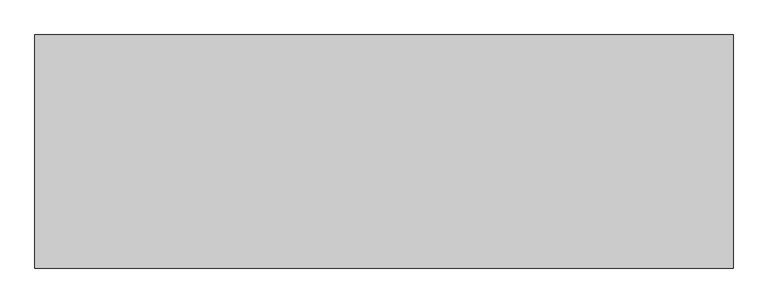
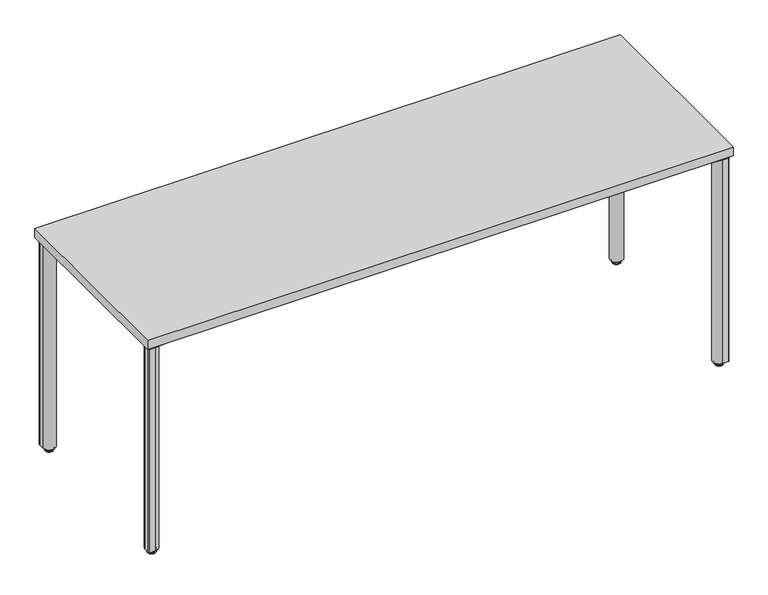
"""IFC4 building model written with IfcOpenShell, lengths in millimetres: furniture geometry."""

import ifcopenshell
import ifcopenshell.guid

model = None  # the IFC model being written
_history = None  # IfcOwnerHistory: only IFC2X3 demands one
_inside = {}  # id of a spatial element -> (the spatial element, [elements in it])
_under = {}  # id of a project, library or spatial element -> (it, [spatial elements below it])
_declared = {}  # id of a project -> (the project, [libraries it declares])
_typed = {}  # id of a type object -> (the type object, [elements of that type])
_made_of = {}  # id of a material, layer set ... -> (it, [elements and type objects made of it])


def new_model(schema):
    """Start an empty IFC model of exactly this schema.

    Asked for "IFC4X3", IfcOpenShell would pick the latest addendum, in which some entities
    have other attributes; the version numbers below select the first issue.
    IFC2X3 requires an IfcOwnerHistory on every rooted entity: one is made here for all.
    """
    global model, _history
    if schema == "IFC4X3":
        model = ifcopenshell.file(schema_version=(4, 3, 0, 0))
    else:
        model = ifcopenshell.file(schema=schema)
    _inside.clear()
    _under.clear()
    _declared.clear()
    _typed.clear()
    _made_of.clear()
    _history = None
    if model.schema == "IFC2X3":
        org = make("IfcOrganization", Name="unknown")
        user = make(
            "IfcPersonAndOrganization",
            ThePerson=make("IfcPerson", FamilyName="unknown"),
            TheOrganization=org,
        )
        app = make(
            "IfcApplication",
            ApplicationDeveloper=org,
            Version="unknown",
            ApplicationFullName="unknown",
            ApplicationIdentifier="unknown",
        )
        _history = make(
            "IfcOwnerHistory",
            OwningUser=user,
            OwningApplication=app,
            ChangeAction="ADDED",
            CreationDate=0,
        )
    return model


def make(cls, **values):
    """One entity of the class cls with the attributes given. An attribute that is None is left unset."""
    return model.create_entity(
        cls, **{name: value for name, value in values.items() if value is not None}
    )


def rooted(cls, **values):
    """An entity with a GlobalId (a new one), such as an element, a storey or a relation."""
    return make(cls, GlobalId=ifcopenshell.guid.new(), OwnerHistory=_history, **values)


def si_unit(unit_type, name, prefix=None):
    """IfcSIUnit, for example si_unit("LENGTHUNIT", "METRE", prefix="MILLI")."""
    return make("IfcSIUnit", UnitType=unit_type, Prefix=prefix, Name=name)


def assignment(units):
    """IfcUnitAssignment: the units of a project."""
    return None if units is None else make("IfcUnitAssignment", Units=units)


def point(xyz):
    """IfcCartesianPoint."""
    return None if xyz is None else make("IfcCartesianPoint", Coordinates=xyz)


def direction(xyz):
    """IfcDirection."""
    return None if xyz is None else make("IfcDirection", DirectionRatios=xyz)


def frame(location, z_axis=None, x_axis=None):
    """IfcAxis2Placement3D, a coordinate frame: its origin and axes. An axis left out is left unset."""
    return make(
        "IfcAxis2Placement3D",
        Location=point(location),
        Axis=direction(z_axis),
        RefDirection=direction(x_axis),
    )


def frame_2d(location, x_axis=None):
    """IfcAxis2Placement2D, a coordinate frame in the plane: its origin and x axis."""
    return make(
        "IfcAxis2Placement2D", Location=point(location), RefDirection=direction(x_axis)
    )


def origin():
    """The frame at (0, 0, 0) with its axes left unset."""
    return frame((0.0, 0.0, 0.0))


def place(relative_to, where):
    """IfcLocalPlacement: puts the frame where relative to a parent placement (None: the world)."""
    return make(
        "IfcLocalPlacement", PlacementRelTo=relative_to, RelativePlacement=where
    )


def context(
    kind, dimensions, precision=None, world=None, true_north=None, identifier=None
):
    """IfcGeometricRepresentationContext, for example the 3D "Model" context."""
    return make(
        "IfcGeometricRepresentationContext",
        ContextIdentifier=identifier,
        ContextType=kind,
        CoordinateSpaceDimension=dimensions,
        Precision=precision,
        WorldCoordinateSystem=world,
        TrueNorth=true_north,
    )


def project(units=None, contexts=None):
    """IfcProject with its units and contexts."""
    return rooted(
        "IfcProject",
        Name="project",
        RepresentationContexts=contexts,
        UnitsInContext=assignment(units),
    )


def spatial(cls, under=None, at=None, **own):
    """A site, building, storey or space (cls), placed at a placement, below another one or the project."""
    s = rooted(cls, ObjectPlacement=at, **own)
    if under is not None:
        _under.setdefault(under.id(), (under, []))[1].append(s)
    return s


def polyline(points):
    """IfcPolyline through the points."""
    return make("IfcPolyline", Points=[point(p) for p in points])


def circle_curve(where, radius):
    """IfcCircle in the frame where."""
    return make("IfcCircle", Position=where, Radius=radius)


def ellipse_curve(where, semi_axis1, semi_axis2):
    """IfcEllipse in the frame where."""
    return make(
        "IfcEllipse", Position=where, SemiAxis1=semi_axis1, SemiAxis2=semi_axis2
    )


def trimmed(basis, trim1, trim2, sense, master):
    """IfcTrimmedCurve: the piece of a basis curve between two trims."""
    return make(
        "IfcTrimmedCurve",
        BasisCurve=basis,
        Trim1=trim1,
        Trim2=trim2,
        SenseAgreement=sense,
        MasterRepresentation=master,
    )


def segment(curve, same_sense, transition):
    """IfcCompositeCurveSegment."""
    return make(
        "IfcCompositeCurveSegment",
        Transition=transition,
        SameSense=same_sense,
        ParentCurve=curve,
    )


def composite_curve(segments, self_intersect=None):
    """IfcCompositeCurve: segments joined end to end."""
    return make("IfcCompositeCurve", Segments=segments, SelfIntersect=self_intersect)


def outline(outer, holes=None, kind="AREA"):
    """IfcArbitraryClosedProfileDef: a profile drawn as a closed curve; with holes, ...WithVoids."""
    if holes is None:
        return make("IfcArbitraryClosedProfileDef", ProfileType=kind, OuterCurve=outer)
    return make(
        "IfcArbitraryProfileDefWithVoids",
        ProfileType=kind,
        OuterCurve=outer,
        InnerCurves=holes,
    )


def extrude(swept, where, along, depth):
    """IfcExtrudedAreaSolid: the profile swept, set in the frame where, extruded along a direction by depth."""
    return make(
        "IfcExtrudedAreaSolid",
        SweptArea=swept,
        Position=where,
        ExtrudedDirection=direction(along),
        Depth=depth,
    )


def shape(context_of_items, identifier, shape_type, items):
    """IfcShapeRepresentation: the items that make up one representation, for example the "Body"."""
    return make(
        "IfcShapeRepresentation",
        ContextOfItems=context_of_items,
        RepresentationIdentifier=identifier,
        RepresentationType=shape_type,
        Items=items,
    )


def source(mapping_origin, context_of_items, identifier, shape_type, items):
    """IfcRepresentationMap: a shape defined once, which mapped items show again and again."""
    return make(
        "IfcRepresentationMap",
        MappingOrigin=mapping_origin,
        MappedRepresentation=shape(context_of_items, identifier, shape_type, items),
    )


def transform(
    local_origin,
    x_axis=None,
    y_axis=None,
    z_axis=None,
    scale=None,
    scale2=None,
    scale3=None,
    uniform=True,
):
    """IfcCartesianTransformationOperator3D, or its non-uniform kind. x_axis, y_axis, z_axis: its Axis1, 2, 3."""
    if uniform:
        return make(
            "IfcCartesianTransformationOperator3D",
            Axis1=direction(x_axis),
            Axis2=direction(y_axis),
            LocalOrigin=point(local_origin),
            Scale=scale,
            Axis3=direction(z_axis),
        )
    return make(
        "IfcCartesianTransformationOperator3DnonUniform",
        Axis1=direction(x_axis),
        Axis2=direction(y_axis),
        LocalOrigin=point(local_origin),
        Scale=scale,
        Axis3=direction(z_axis),
        Scale2=scale2,
        Scale3=scale3,
    )


def mapped(mapping_source, mapping_target):
    """IfcMappedItem: shows the shape of a source again, moved by a transform."""
    return make(
        "IfcMappedItem", MappingSource=mapping_source, MappingTarget=mapping_target
    )


def made_of(thing, what):
    """Note that an element or type object is made of a material, layer set ...; save() writes the relation."""
    if what is not None:
        _made_of.setdefault(what.id(), (what, []))[1].append(thing)
    return thing


def element(
    cls,
    number,
    at=None,
    inside=None,
    cuts=None,
    type_object=None,
    material=None,
    context=None,
    identifier="Body",
    shape_type=None,
    held_by="IfcProductDefinitionShape",
    body=None,
    shapes=None,
    **own,
):
    """One element of the class cls, such as IfcWall. Its Tag is "e" and its number.

    at: its placement. inside: the storey or other place that contains it. cuts: it is an
    opening in that element (IfcRelVoidsElement). A single representation is given by context,
    identifier, shape_type and body (its items); several are given by shapes. held_by: the class
    of the entity that holds the representations. save() writes the other relations.
    """
    e = rooted(cls, Tag="e%d" % number, ObjectPlacement=at, **own)
    if body is not None:
        shapes = [shape(context, identifier, shape_type, body)]
    if shapes is not None:
        e.Representation = make(held_by, Representations=shapes)
    if inside is not None:
        _inside.setdefault(inside.id(), (inside, []))[1].append(e)
    if cuts is not None:
        rooted(
            "IfcRelVoidsElement", RelatingBuildingElement=cuts, RelatedOpeningElement=e
        )
    if type_object is not None:
        _typed.setdefault(type_object.id(), (type_object, []))[1].append(e)
    return made_of(e, material)


def aggregate(whole, parts):
    """IfcRelAggregates: a whole, such as a stair, and the parts it consists of."""
    return rooted("IfcRelAggregates", RelatingObject=whole, RelatedObjects=parts)


def save(model, path):
    """Write the relations noted so far, then the file.

    IfcRelAggregates (storeys below a building ...), IfcRelContainedInSpatialStructure (elements
    in a storey), IfcRelDefinesByType, IfcRelAssociatesMaterial and IfcRelDeclares: one each for
    every whole, place, type object, material and project.
    """
    for whole, parts in _under.values():
        aggregate(whole, parts)
    for where, things in _inside.values():
        rooted(
            "IfcRelContainedInSpatialStructure",
            RelatedElements=things,
            RelatingStructure=where,
        )
    for kind, things in _typed.values():
        rooted("IfcRelDefinesByType", RelatedObjects=things, RelatingType=kind)
    for what, things in _made_of.values():
        rooted("IfcRelAssociatesMaterial", RelatedObjects=things, RelatingMaterial=what)
    for by, libraries in _declared.values():
        rooted("IfcRelDeclares", RelatingContext=by, RelatedDefinitions=libraries)
    model.write(path)


def plane_surface(at):
    """IfcPlane: the flat surface through the origin of the frame at, square to its z axis."""
    return make("IfcPlane", Position=at)


def cylinder_surface(at, radius):
    """IfcCylindricalSurface: all points at the distance radius from the z axis of the frame at."""
    return make("IfcCylindricalSurface", Position=at, Radius=radius)


def revolved_surface(curve, axis_point, axis_direction):
    """IfcSurfaceOfRevolution: the curve turned about the line through axis_point along axis_direction."""
    return make(
        "IfcSurfaceOfRevolution",
        SweptCurve=make("IfcArbitraryOpenProfileDef", ProfileType="CURVE", Curve=curve),
        AxisPosition=make("IfcAxis1Placement", Location=point(axis_point), Axis=direction(axis_direction)),
    )


def advanced_brep(points, edges, surfaces, faces):
    """IfcAdvancedBrep: a solid bounded by faces that lie on surfaces and meet in shared edges.

    An edge is (start, end): straight between two places in points (the first is 0);
    or (start, end, curve); or (start, end, curve, False) where it runs against its curve.
    A face is (place in surfaces, loops), or (place, loops, False) where it looks against
    its surface's normal. A loop lists edges by number (the first is 1), with a minus sign
    where the edge is run from its end to its start. The first loop is the outer one.
    """
    corners = [point(p) for p in points]
    vertices = [make("IfcVertexPoint", VertexGeometry=c) for c in corners]
    made = []
    for start, end, *more in edges:
        made.append(
            make(
                "IfcEdgeCurve",
                EdgeStart=vertices[start],
                EdgeEnd=vertices[end],
                EdgeGeometry=more[0] if more else make("IfcPolyline", Points=[corners[start], corners[end]]),
                SameSense=more[1] if len(more) > 1 else True,
            )
        )
    hull = []
    for where, loops, *sense in faces:
        bounds = []
        for j, loop in enumerate(loops):
            ring = [make("IfcOrientedEdge", EdgeElement=made[abs(k) - 1], Orientation=k > 0) for k in loop]
            bounds.append(
                make(
                    "IfcFaceOuterBound" if j == 0 else "IfcFaceBound",
                    Bound=make("IfcEdgeLoop", EdgeList=ring),
                    Orientation=True,
                )
            )
        hull.append(make("IfcAdvancedFace", Bounds=bounds, FaceSurface=surfaces[where], SameSense=sense[0] if sense else True))
    return make("IfcAdvancedBrep", Outer=make("IfcClosedShell", CfsFaces=hull))


def furniture_b3936420(model_context):
    return source(origin(), model_context, "Body", "SolidModel", [
        extrude(outline(composite_curve([segment(polyline([(1796.7282419, -602.3591905), (1721.3488309, -595.7643464)]), True, "CONTINUOUS"), segment(trimmed(circle_curve(frame_2d((1723.5277263, -570.8594586)), 25.0000204), [point((1721.3488309, -595.7643464))], [point((1705.8500399, -588.5371401))], False, "CARTESIAN"), True, "CONTINUOUS"), segment(polyline([(1705.8500399, -588.5371401), (1689.8744349, -572.5615305)]), True, "CONTINUOUS"), segment(trimmed(circle_curve(frame_2d((1707.5520997, -554.8838707)), 24.9999898), [point((1689.8744349, -572.5615305))], [point((1682.6472426, -557.0627657))], False, "CARTESIAN"), True, "CONTINUOUS"), segment(polyline([(1682.6472426, -557.0627657), (1676.1313511, -482.5858634)]), True, "CONTINUOUS"), segment(trimmed(circle_curve(frame_2d((1698.6108747, -482.5858634)), 22.4795236), [point((1676.1313511, -482.5858634))], [point((1698.6108747, -460.1063398))], False, "CARTESIAN"), True, "CONTINUOUS"), segment(polyline([(1698.6108747, -460.1063398), (1773.0877788, -466.6222314)]), True, "CONTINUOUS"), segment(trimmed(circle_curve(frame_2d((1770.9088843, -491.5270836)), 24.9999849), [point((1773.0877788, -466.6222314))], [point((1788.5865419, -473.8494235))], False, "CARTESIAN"), True, "CONTINUOUS"), segment(polyline([(1788.5865419, -473.8494235), (1804.5621588, -489.8250381)]), True, "CONTINUOUS"), segment(trimmed(circle_curve(frame_2d((1786.8844922, -507.5027072)), 24.9999976), [point((1804.5621588, -489.8250381))], [point((1811.7893573, -505.323814))], False, "CARTESIAN"), True, "CONTINUOUS"), segment(polyline([(1811.7893573, -505.323814), (1818.3842007, -580.7032242), (1818.3842007, -599.3591908)]), True, "CONTINUOUS"), segment(trimmed(circle_curve(frame_2d((1815.384201, -599.3591908)), 2.9999997), [point((1818.3842007, -599.3591908))], [point((1815.384201, -602.3591905))], False, "CARTESIAN"), True, "CONTINUOUS"), segment(polyline([(1815.384201, -602.3591905), (1796.7282419, -602.3591905)]), True, "CONTINUOUS")], self_intersect=False)), frame((0.0, 0.0, 686.384201), z_axis=(0.0, 0.0, 1.0), x_axis=(1.0, 0.0, 0.0)), (0.0, 0.0, 1.0), 7.9248),
        advanced_brep(
        [(1797.6342, -577.6130981, 14.6833482), (1797.6342, -585.6053019, 14.6833482), (1797.6342, -581.6092, 14.6833482), (1797.6342, -577.6130981, 12.9644666), (1797.6342, -585.6053019, 12.9644666), (1797.6342, -569.648784, 11.5824174), (1797.6342, -593.569616, 11.5824174), (1797.6342, -569.1277894, 2.659626), (1797.6342, -594.0906106, 2.659626), (1797.6342, -595.8548023, 6.9187598), (1797.6342, -567.3635977, 6.9187598), (1797.6342, -581.6092, 0.0), (1797.6342, -590.2922711, 0.0), (1797.6342, -572.9261289, 0.0)],
        [
            (0, 1, circle_curve(frame((1797.6342, -581.6092, 14.6833482), z_axis=(0.0, 0.0, 1.0), x_axis=(0.0, -1.0, 0.0)), 3.9961019)),
            (1, 2),
            (2, 0),
            (1, 0, circle_curve(frame((1797.6342, -581.6092, 14.6833482), z_axis=(0.0, 0.0, 1.0), x_axis=(0.0, -1.0, 0.0)), 3.9961019)),
            (3, 4, circle_curve(frame((1797.6342, -581.6092, 12.9644666), z_axis=(0.0, 0.0, 1.0), x_axis=(0.0, -1.0, 0.0)), 3.9961019)),
            (4, 1),
            (0, 3),
            (4, 3, circle_curve(frame((1797.6342, -581.6092, 12.9644666), z_axis=(0.0, 0.0, 1.0), x_axis=(0.0, -1.0, 0.0)), 3.9961019)),
            (5, 6, circle_curve(frame((1797.6342, -581.6092, 11.5824174), z_axis=(0.0, 0.0, 1.0), x_axis=(0.0, -1.0, 0.0)), 11.960416)),
            (6, 4),
            (3, 5),
            (6, 5, circle_curve(frame((1797.6342, -581.6092, 11.5824174), z_axis=(0.0, 0.0, 1.0), x_axis=(0.0, -1.0, 0.0)), 11.960416)),
            (7, 8, circle_curve(frame((1797.6342, -581.6092, 2.659626), z_axis=(0.0, 0.0, 1.0), x_axis=(0.0, -1.0, 0.0)), 12.4814106)),
            (8, 9),
            (9, 10, circle_curve(frame((1797.6342, -581.6092, 6.9187598), z_axis=(0.0, 0.0, -1.0), x_axis=(0.0, -1.0, 0.0)), 14.2456023)),
            (10, 7),
            (8, 7, circle_curve(frame((1797.6342, -581.6092, 2.659626), z_axis=(0.0, 0.0, 1.0), x_axis=(0.0, -1.0, 0.0)), 12.4814106)),
            (10, 9, circle_curve(frame((1797.6342, -581.6092, 6.9187598), z_axis=(0.0, 0.0, -1.0), x_axis=(0.0, -1.0, 0.0)), 14.2456023)),
            (11, 12),
            (12, 13, circle_curve(frame((1797.6342, -581.6092, 0.0), z_axis=(0.0, 0.0, -1.0), x_axis=(0.0, -1.0, 0.0)), 8.6830711)),
            (13, 11),
            (13, 12, circle_curve(frame((1797.6342, -581.6092, 0.0), z_axis=(0.0, 0.0, -1.0), x_axis=(0.0, -1.0, 0.0)), 8.6830711)),
            (9, 6, circle_curve(frame((1797.6342, -592.656773, 8.2434275), z_axis=(-1.0, 0.0, 0.0), x_axis=(0.0, -1.0, 0.0)), 3.4615222)),
            (5, 10, circle_curve(frame((1797.6342, -570.561627, 8.2434275), z_axis=(-1.0, 0.0, 0.0), x_axis=(0.0, 1.0, 0.0)), 3.4615222)),
            (12, 8, circle_curve(frame((1797.6342, -590.1040518, 4.3109134), z_axis=(-1.0, 0.0, 0.0), x_axis=(0.0, -1.0, 0.0)), 4.3150204)),
            (7, 13, circle_curve(frame((1797.6342, -573.1143482, 4.3109134), z_axis=(-1.0, 0.0, 0.0), x_axis=(0.0, 1.0, 0.0)), 4.3150204)),
        ],
        [
            plane_surface(frame((1797.6342, -581.6092, 14.6833482), z_axis=(0.0, 0.0, 1.0), x_axis=(0.0, -1.0, 0.0))),
            cylinder_surface(frame((1797.6342, -581.6092, 2438.4), z_axis=(0.0, 0.0, -1.0), x_axis=(0.0, -1.0, 0.0)), 3.9961019),
            revolved_surface(polyline([(1797.6342, -585.6053019, 12.9644666), (1797.6342, -593.569616, 11.5824174)]), (1797.6342, -581.6092, 2438.4), (0.0, 0.0, -1.0)),
            revolved_surface(polyline([(1797.6342, -595.8548023, 6.9187598), (1797.6342, -594.0906106, 2.659626)]), (1797.6342, -581.6092, 2438.4), (0.0, 0.0, -1.0)),
            plane_surface(frame((1797.6342, -581.6092, 0.0), z_axis=(0.0, 0.0, -1.0), x_axis=(0.0, -1.0, 0.0))),
            revolved_surface(trimmed(ellipse_curve(frame((1797.6342, -592.656773, 8.2434275), z_axis=(1.0, 0.0, 0.0), x_axis=(0.0, -1.0, 0.0)), 3.4615222, 3.4615222), [point((1797.6342, -593.569616, 11.5824174))], [point((1797.6342, -595.8548023, 6.9187598))], True, "CARTESIAN"), (1797.6342, -581.6092, 2438.4), (0.0, 0.0, -1.0)),
            revolved_surface(trimmed(ellipse_curve(frame((1797.6342, -590.1040518, 4.3109134), z_axis=(1.0, 0.0, 0.0), x_axis=(0.0, -1.0, 0.0)), 4.3150204, 4.3150204), [point((1797.6342, -594.0906106, 2.659626))], [point((1797.6342, -590.2922711, 0.0))], True, "CARTESIAN"), (1797.6342, -581.6092, 2438.4), (0.0, 0.0, -1.0)),
        ],
        [
            (0, [[1, 2, 3]]),
            (0, [[4, -3, -2]]),
            (1, [[5, 6, -1, 7]]),
            (1, [[8, -7, -4, -6]]),
            (2, [[9, 10, -5, 11]]),
            (2, [[12, -11, -8, -10]]),
            (3, [[13, 14, 15, 16]]),
            (3, [[17, -16, 18, -14]]),
            (4, [[19, 20, 21]]),
            (4, [[-21, 22, -19]]),
            (5, [[-15, 23, -9, 24]]),
            (5, [[-18, -24, -12, -23]]),
            (6, [[-20, 25, -13, 26]]),
            (6, [[-22, -26, -17, -25]]),
        ],
    ),
        extrude(outline(composite_curve([segment(trimmed(circle_curve(frame_2d((1797.6389509, -581.6139401)), 19.9952502), [point((1797.6389509, -601.6091903))], [point((1817.6342011, -581.6139401))], False, "CARTESIAN"), True, "CONTINUOUS"), segment(polyline([(1817.6342011, -581.6139401), (1817.6342011, -598.6089752)]), True, "CONTINUOUS"), segment(trimmed(circle_curve(frame_2d((1814.633986, -598.6089752)), 3.000215), [point((1817.6342011, -598.6089752))], [point((1814.633986, -601.6091903))], False, "CARTESIAN"), True, "CONTINUOUS"), segment(polyline([(1814.633986, -601.6091903), (1797.6389509, -601.6091903)]), True, "CONTINUOUS")], self_intersect=False)), frame((0.0, 0.0, 14.6833482), z_axis=(0.0, 0.0, 1.0), x_axis=(1.0, 0.0, 0.0)), (0.0, 0.0, 1.0), 671.7008528),
        extrude(outline(composite_curve([segment(polyline([(28.8967581, -602.3591905), (10.240799, -602.3591905)]), True, "CONTINUOUS"), segment(trimmed(circle_curve(frame_2d((10.240799, -599.3591908)), 2.9999997), [point((10.240799, -602.3591905))], [point((7.2407993, -599.3591908))], False, "CARTESIAN"), True, "CONTINUOUS"), segment(polyline([(7.2407993, -599.3591908), (7.2407993, -580.7032242), (13.8356427, -505.323814)]), True, "CONTINUOUS"), segment(trimmed(circle_curve(frame_2d((38.7405078, -507.5027072)), 24.9999976), [point((13.8356427, -505.323814))], [point((21.0628412, -489.8250381))], False, "CARTESIAN"), True, "CONTINUOUS"), segment(polyline([(21.0628412, -489.8250381), (37.0384581, -473.8494235)]), True, "CONTINUOUS"), segment(trimmed(circle_curve(frame_2d((54.7161157, -491.5270836)), 24.9999849), [point((37.0384581, -473.8494235))], [point((52.5372212, -466.6222314))], False, "CARTESIAN"), True, "CONTINUOUS"), segment(polyline([(52.5372212, -466.6222314), (127.0141253, -460.1063398)]), True, "CONTINUOUS"), segment(trimmed(circle_curve(frame_2d((127.0141253, -482.5858634)), 22.4795236), [point((127.0141253, -460.1063398))], [point((149.4936489, -482.5858634))], False, "CARTESIAN"), True, "CONTINUOUS"), segment(polyline([(149.4936489, -482.5858634), (142.9777574, -557.0627657)]), True, "CONTINUOUS"), segment(trimmed(circle_curve(frame_2d((118.0729003, -554.8838707)), 24.9999898), [point((142.9777574, -557.0627657))], [point((135.7505651, -572.5615305))], False, "CARTESIAN"), True, "CONTINUOUS"), segment(polyline([(135.7505651, -572.5615305), (119.7749601, -588.5371401)]), True, "CONTINUOUS"), segment(trimmed(circle_curve(frame_2d((102.0972737, -570.8594586)), 25.0000204), [point((119.7749601, -588.5371401))], [point((104.2761691, -595.7643464))], False, "CARTESIAN"), True, "CONTINUOUS"), segment(polyline([(104.2761691, -595.7643464), (28.8967581, -602.3591905)]), True, "CONTINUOUS")], self_intersect=False)), frame((0.0, 0.0, 686.384201), z_axis=(0.0, 0.0, 1.0), x_axis=(1.0, 0.0, 0.0)), (0.0, 0.0, 1.0), 7.9248),
        advanced_brep(
        [(27.9908, -577.6130981, 14.6833482), (27.9908, -581.6092, 14.6833482), (27.9908, -585.6053019, 14.6833482), (27.9908, -577.6130981, 12.9644666), (27.9908, -585.6053019, 12.9644666), (27.9908, -569.648784, 11.5824174), (27.9908, -593.569616, 11.5824174), (27.9908, -569.1277894, 2.659626), (27.9908, -567.3635977, 6.9187598), (27.9908, -595.8548023, 6.9187598), (27.9908, -594.0906106, 2.659626), (27.9908, -581.6092, 0.0), (27.9908, -572.9261289, 0.0), (27.9908, -590.2922711, 0.0)],
        [
            (0, 1),
            (1, 2),
            (2, 0, circle_curve(frame((27.9908, -581.6092, 14.6833482), z_axis=(0.0, 0.0, 1.0), x_axis=(0.0, -1.0, 0.0)), 3.9961019)),
            (0, 2, circle_curve(frame((27.9908, -581.6092, 14.6833482), z_axis=(0.0, 0.0, 1.0), x_axis=(0.0, -1.0, 0.0)), 3.9961019)),
            (3, 0),
            (2, 4),
            (4, 3, circle_curve(frame((27.9908, -581.6092, 12.9644666), z_axis=(0.0, 0.0, 1.0), x_axis=(0.0, -1.0, 0.0)), 3.9961019)),
            (3, 4, circle_curve(frame((27.9908, -581.6092, 12.9644666), z_axis=(0.0, 0.0, 1.0), x_axis=(0.0, -1.0, 0.0)), 3.9961019)),
            (5, 3),
            (4, 6),
            (6, 5, circle_curve(frame((27.9908, -581.6092, 11.5824174), z_axis=(0.0, 0.0, 1.0), x_axis=(0.0, -1.0, 0.0)), 11.960416)),
            (5, 6, circle_curve(frame((27.9908, -581.6092, 11.5824174), z_axis=(0.0, 0.0, 1.0), x_axis=(0.0, -1.0, 0.0)), 11.960416)),
            (7, 8),
            (8, 9, circle_curve(frame((27.9908, -581.6092, 6.9187598), z_axis=(0.0, 0.0, -1.0), x_axis=(0.0, -1.0, 0.0)), 14.2456023)),
            (9, 10),
            (10, 7, circle_curve(frame((27.9908, -581.6092, 2.659626), z_axis=(0.0, 0.0, 1.0), x_axis=(0.0, -1.0, 0.0)), 12.4814106)),
            (9, 8, circle_curve(frame((27.9908, -581.6092, 6.9187598), z_axis=(0.0, 0.0, -1.0), x_axis=(0.0, -1.0, 0.0)), 14.2456023)),
            (7, 10, circle_curve(frame((27.9908, -581.6092, 2.659626), z_axis=(0.0, 0.0, 1.0), x_axis=(0.0, -1.0, 0.0)), 12.4814106)),
            (11, 12),
            (12, 13, circle_curve(frame((27.9908, -581.6092, 0.0), z_axis=(0.0, 0.0, -1.0), x_axis=(0.0, -1.0, 0.0)), 8.6830711)),
            (13, 11),
            (13, 12, circle_curve(frame((27.9908, -581.6092, 0.0), z_axis=(0.0, 0.0, -1.0), x_axis=(0.0, -1.0, 0.0)), 8.6830711)),
            (8, 5, circle_curve(frame((27.9908, -570.561627, 8.2434275), z_axis=(1.0, 0.0, 0.0), x_axis=(0.0, 1.0, 0.0)), 3.4615222)),
            (6, 9, circle_curve(frame((27.9908, -592.656773, 8.2434275), z_axis=(1.0, 0.0, 0.0), x_axis=(0.0, -1.0, 0.0)), 3.4615222)),
            (12, 7, circle_curve(frame((27.9908, -573.1143482, 4.3109134), z_axis=(1.0, 0.0, 0.0), x_axis=(0.0, 1.0, 0.0)), 4.3150204)),
            (10, 13, circle_curve(frame((27.9908, -590.1040518, 4.3109134), z_axis=(1.0, 0.0, 0.0), x_axis=(0.0, -1.0, 0.0)), 4.3150204)),
        ],
        [
            plane_surface(frame((27.9908, -581.6092, 14.6833482), z_axis=(0.0, 0.0, 1.0), x_axis=(0.0, -1.0, 0.0))),
            cylinder_surface(frame((27.9908, -581.6092, 2438.4), z_axis=(0.0, 0.0, -1.0), x_axis=(0.0, -1.0, 0.0)), 3.9961019),
            revolved_surface(polyline([(27.9908, -585.6053019, 12.9644666), (27.9908, -593.569616, 11.5824174)]), (27.9908, -581.6092, 2438.4), (0.0, 0.0, -1.0)),
            revolved_surface(polyline([(27.9908, -595.8548023, 6.9187598), (27.9908, -594.0906106, 2.659626)]), (27.9908, -581.6092, 2438.4), (0.0, 0.0, -1.0)),
            plane_surface(frame((27.9908, -581.6092, 0.0), z_axis=(0.0, 0.0, -1.0), x_axis=(0.0, -1.0, 0.0))),
            revolved_surface(trimmed(ellipse_curve(frame((27.9908, -592.656773, 8.2434275), z_axis=(1.0, 0.0, 0.0), x_axis=(0.0, -1.0, 0.0)), 3.4615222, 3.4615222), [point((27.9908, -593.569616, 11.5824174))], [point((27.9908, -595.8548023, 6.9187598))], True, "CARTESIAN"), (27.9908, -581.6092, 2438.4), (0.0, 0.0, -1.0)),
            revolved_surface(trimmed(ellipse_curve(frame((27.9908, -590.1040518, 4.3109134), z_axis=(1.0, 0.0, 0.0), x_axis=(0.0, -1.0, 0.0)), 4.3150204, 4.3150204), [point((27.9908, -594.0906106, 2.659626))], [point((27.9908, -590.2922711, 0.0))], True, "CARTESIAN"), (27.9908, -581.6092, 2438.4), (0.0, 0.0, -1.0)),
        ],
        [
            (0, [[1, 2, 3]]),
            (0, [[-2, -1, 4]]),
            (1, [[5, -3, 6, 7]]),
            (1, [[-6, -4, -5, 8]]),
            (2, [[9, -7, 10, 11]]),
            (2, [[-10, -8, -9, 12]]),
            (3, [[13, 14, 15, 16]]),
            (3, [[-15, 17, -13, 18]]),
            (4, [[19, 20, 21]]),
            (4, [[-21, 22, -19]]),
            (5, [[23, -11, 24, -14]]),
            (5, [[-24, -12, -23, -17]]),
            (6, [[25, -16, 26, -20]]),
            (6, [[-26, -18, -25, -22]]),
        ],
    ),
        extrude(outline(composite_curve([segment(polyline([(27.9860491, -601.6091903), (10.991014, -601.6091903)]), True, "CONTINUOUS"), segment(trimmed(circle_curve(frame_2d((10.991014, -598.6089752)), 3.000215), [point((10.991014, -601.6091903))], [point((7.9907989, -598.6089752))], False, "CARTESIAN"), True, "CONTINUOUS"), segment(polyline([(7.9907989, -598.6089752), (7.9907989, -581.6139401)]), True, "CONTINUOUS"), segment(trimmed(circle_curve(frame_2d((27.9860491, -581.6139401)), 19.9952502), [point((7.9907989, -581.6139401))], [point((27.9860491, -601.6091903))], False, "CARTESIAN"), True, "CONTINUOUS")], self_intersect=False)), frame((0.0, 0.0, 14.6833482), z_axis=(0.0, 0.0, 1.0), x_axis=(1.0, 0.0, 0.0)), (0.0, 0.0, 1.0), 671.7008528),
        extrude(outline(composite_curve([segment(polyline([(1796.7282419, -7.2408095), (1815.384201, -7.2408095)]), True, "CONTINUOUS"), segment(trimmed(circle_curve(frame_2d((1815.384201, -10.2408092)), 2.9999997), [point((1815.384201, -7.2408095))], [point((1818.3842007, -10.2408092))], False, "CARTESIAN"), True, "CONTINUOUS"), segment(polyline([(1818.3842007, -10.2408092), (1818.3842007, -28.8967758), (1811.7893573, -104.276186)]), True, "CONTINUOUS"), segment(trimmed(circle_curve(frame_2d((1786.8844922, -102.0972928)), 24.9999976), [point((1811.7893573, -104.276186))], [point((1804.5621588, -119.7749619))], False, "CARTESIAN"), True, "CONTINUOUS"), segment(polyline([(1804.5621588, -119.7749619), (1788.5865419, -135.7505765)]), True, "CONTINUOUS"), segment(trimmed(circle_curve(frame_2d((1770.9088843, -118.0729164)), 24.9999849), [point((1788.5865419, -135.7505765))], [point((1773.0877788, -142.9777686))], False, "CARTESIAN"), True, "CONTINUOUS"), segment(polyline([(1773.0877788, -142.9777686), (1698.6108747, -149.4936602)]), True, "CONTINUOUS"), segment(trimmed(circle_curve(frame_2d((1698.6108747, -127.0141366)), 22.4795236), [point((1698.6108747, -149.4936602))], [point((1676.1313511, -127.0141366))], False, "CARTESIAN"), True, "CONTINUOUS"), segment(polyline([(1676.1313511, -127.0141366), (1682.6472426, -52.5372343)]), True, "CONTINUOUS"), segment(trimmed(circle_curve(frame_2d((1707.5520997, -54.7161293)), 24.9999898), [point((1682.6472426, -52.5372343))], [point((1689.8744349, -37.0384695))], False, "CARTESIAN"), True, "CONTINUOUS"), segment(polyline([(1689.8744349, -37.0384695), (1705.8500399, -21.0628599)]), True, "CONTINUOUS"), segment(trimmed(circle_curve(frame_2d((1723.5277263, -38.7405414)), 25.0000204), [point((1705.8500399, -21.0628599))], [point((1721.3488309, -13.8356536))], False, "CARTESIAN"), True, "CONTINUOUS"), segment(polyline([(1721.3488309, -13.8356536), (1796.7282419, -7.2408095)]), True, "CONTINUOUS")], self_intersect=False)), frame((0.0, 0.0, 686.384201), z_axis=(0.0, 0.0, 1.0), x_axis=(1.0, 0.0, 0.0)), (0.0, 0.0, 1.0), 7.9248),
        advanced_brep(
        [(1797.6342, -31.9869019, 14.6833482), (1797.6342, -27.9908, 14.6833482), (1797.6342, -23.9946981, 14.6833482), (1797.6342, -31.9869019, 12.9644666), (1797.6342, -23.9946981, 12.9644666), (1797.6342, -39.951216, 11.5824174), (1797.6342, -16.030384, 11.5824174), (1797.6342, -40.4722106, 2.659626), (1797.6342, -42.2364023, 6.9187598), (1797.6342, -13.7451977, 6.9187598), (1797.6342, -15.5093894, 2.659626), (1797.6342, -27.9908, 0.0), (1797.6342, -36.6738711, 0.0), (1797.6342, -19.3077289, 0.0)],
        [
            (0, 1),
            (1, 2),
            (2, 0, circle_curve(frame((1797.6342, -27.9908, 14.6833482), z_axis=(0.0, 0.0, 1.0), x_axis=(0.0, 1.0, 0.0)), 3.9961019)),
            (0, 2, circle_curve(frame((1797.6342, -27.9908, 14.6833482), z_axis=(0.0, 0.0, 1.0), x_axis=(0.0, 1.0, 0.0)), 3.9961019)),
            (3, 0),
            (2, 4),
            (4, 3, circle_curve(frame((1797.6342, -27.9908, 12.9644666), z_axis=(0.0, 0.0, 1.0), x_axis=(0.0, 1.0, 0.0)), 3.9961019)),
            (3, 4, circle_curve(frame((1797.6342, -27.9908, 12.9644666), z_axis=(0.0, 0.0, 1.0), x_axis=(0.0, 1.0, 0.0)), 3.9961019)),
            (5, 3),
            (4, 6),
            (6, 5, circle_curve(frame((1797.6342, -27.9908, 11.5824174), z_axis=(0.0, 0.0, 1.0), x_axis=(0.0, 1.0, 0.0)), 11.960416)),
            (5, 6, circle_curve(frame((1797.6342, -27.9908, 11.5824174), z_axis=(0.0, 0.0, 1.0), x_axis=(0.0, 1.0, 0.0)), 11.960416)),
            (7, 8),
            (8, 9, circle_curve(frame((1797.6342, -27.9908, 6.9187598), z_axis=(0.0, 0.0, -1.0), x_axis=(0.0, 1.0, 0.0)), 14.2456023)),
            (9, 10),
            (10, 7, circle_curve(frame((1797.6342, -27.9908, 2.659626), z_axis=(0.0, 0.0, 1.0), x_axis=(0.0, 1.0, 0.0)), 12.4814106)),
            (9, 8, circle_curve(frame((1797.6342, -27.9908, 6.9187598), z_axis=(0.0, 0.0, -1.0), x_axis=(0.0, 1.0, 0.0)), 14.2456023)),
            (7, 10, circle_curve(frame((1797.6342, -27.9908, 2.659626), z_axis=(0.0, 0.0, 1.0), x_axis=(0.0, 1.0, 0.0)), 12.4814106)),
            (11, 12),
            (12, 13, circle_curve(frame((1797.6342, -27.9908, 0.0), z_axis=(0.0, 0.0, -1.0), x_axis=(0.0, 1.0, 0.0)), 8.6830711)),
            (13, 11),
            (13, 12, circle_curve(frame((1797.6342, -27.9908, 0.0), z_axis=(0.0, 0.0, -1.0), x_axis=(0.0, 1.0, 0.0)), 8.6830711)),
            (8, 5, circle_curve(frame((1797.6342, -39.038373, 8.2434275), z_axis=(-1.0, 0.0, 0.0), x_axis=(0.0, -1.0, 0.0)), 3.4615222)),
            (6, 9, circle_curve(frame((1797.6342, -16.943227, 8.2434275), z_axis=(-1.0, 0.0, 0.0), x_axis=(0.0, 1.0, 0.0)), 3.4615222)),
            (12, 7, circle_curve(frame((1797.6342, -36.4856518, 4.3109134), z_axis=(-1.0, 0.0, 0.0), x_axis=(0.0, -1.0, 0.0)), 4.3150204)),
            (10, 13, circle_curve(frame((1797.6342, -19.4959482, 4.3109134), z_axis=(-1.0, 0.0, 0.0), x_axis=(0.0, 1.0, 0.0)), 4.3150204)),
        ],
        [
            plane_surface(frame((1797.6342, -27.9908, 14.6833482), z_axis=(0.0, 0.0, 1.0), x_axis=(0.0, 1.0, 0.0))),
            cylinder_surface(frame((1797.6342, -27.9908, 2438.4), z_axis=(0.0, 0.0, -1.0), x_axis=(0.0, 1.0, 0.0)), 3.9961019),
            revolved_surface(polyline([(1797.6342, -23.9946981, 12.9644666), (1797.6342, -16.030384, 11.5824174)]), (1797.6342, -27.9908, 2438.4), (0.0, 0.0, -1.0)),
            revolved_surface(polyline([(1797.6342, -13.7451977, 6.9187598), (1797.6342, -15.5093894, 2.659626)]), (1797.6342, -27.9908, 2438.4), (0.0, 0.0, -1.0)),
            plane_surface(frame((1797.6342, -27.9908, 0.0), z_axis=(0.0, 0.0, -1.0), x_axis=(0.0, 1.0, 0.0))),
            revolved_surface(trimmed(ellipse_curve(frame((1797.6342, -16.943227, 8.2434275), z_axis=(-1.0, 0.0, 0.0), x_axis=(0.0, 1.0, 0.0)), 3.4615222, 3.4615222), [point((1797.6342, -16.030384, 11.5824174))], [point((1797.6342, -13.7451977, 6.9187598))], True, "CARTESIAN"), (1797.6342, -27.9908, 2438.4), (0.0, 0.0, -1.0)),
            revolved_surface(trimmed(ellipse_curve(frame((1797.6342, -19.4959482, 4.3109134), z_axis=(-1.0, 0.0, 0.0), x_axis=(0.0, 1.0, 0.0)), 4.3150204, 4.3150204), [point((1797.6342, -15.5093894, 2.659626))], [point((1797.6342, -19.3077289, 0.0))], True, "CARTESIAN"), (1797.6342, -27.9908, 2438.4), (0.0, 0.0, -1.0)),
        ],
        [
            (0, [[1, 2, 3]]),
            (0, [[-2, -1, 4]]),
            (1, [[5, -3, 6, 7]]),
            (1, [[-6, -4, -5, 8]]),
            (2, [[9, -7, 10, 11]]),
            (2, [[-10, -8, -9, 12]]),
            (3, [[13, 14, 15, 16]]),
            (3, [[-15, 17, -13, 18]]),
            (4, [[19, 20, 21]]),
            (4, [[-21, 22, -19]]),
            (5, [[23, -11, 24, -14]]),
            (5, [[-24, -12, -23, -17]]),
            (6, [[25, -16, 26, -20]]),
            (6, [[-26, -18, -25, -22]]),
        ],
    ),
        extrude(outline(composite_curve([segment(polyline([(1797.6389509, -7.9908097), (1814.633986, -7.9908097)]), True, "CONTINUOUS"), segment(trimmed(circle_curve(frame_2d((1814.633986, -10.9910248)), 3.000215), [point((1814.633986, -7.9908097))], [point((1817.6342011, -10.9910248))], False, "CARTESIAN"), True, "CONTINUOUS"), segment(polyline([(1817.6342011, -10.9910248), (1817.6342011, -27.9860599)]), True, "CONTINUOUS"), segment(trimmed(circle_curve(frame_2d((1797.6389509, -27.9860599)), 19.9952502), [point((1817.6342011, -27.9860599))], [point((1797.6389509, -7.9908097))], False, "CARTESIAN"), True, "CONTINUOUS")], self_intersect=False)), frame((0.0, 0.0, 14.6833482), z_axis=(0.0, 0.0, 1.0), x_axis=(1.0, 0.0, 0.0)), (0.0, 0.0, 1.0), 671.7008528),
        extrude(outline(composite_curve([segment(polyline([(28.8967581, -7.2408095), (104.2761691, -13.8356536)]), True, "CONTINUOUS"), segment(trimmed(circle_curve(frame_2d((102.0972737, -38.7405414)), 25.0000204), [point((104.2761691, -13.8356536))], [point((119.7749601, -21.0628599))], False, "CARTESIAN"), True, "CONTINUOUS"), segment(polyline([(119.7749601, -21.0628599), (135.7505651, -37.0384695)]), True, "CONTINUOUS"), segment(trimmed(circle_curve(frame_2d((118.0729003, -54.7161293)), 24.9999898), [point((135.7505651, -37.0384695))], [point((142.9777574, -52.5372343))], False, "CARTESIAN"), True, "CONTINUOUS"), segment(polyline([(142.9777574, -52.5372343), (149.4936489, -127.0141366)]), True, "CONTINUOUS"), segment(trimmed(circle_curve(frame_2d((127.0141253, -127.0141366)), 22.4795236), [point((149.4936489, -127.0141366))], [point((127.0141253, -149.4936602))], False, "CARTESIAN"), True, "CONTINUOUS"), segment(polyline([(127.0141253, -149.4936602), (52.5372212, -142.9777686)]), True, "CONTINUOUS"), segment(trimmed(circle_curve(frame_2d((54.7161157, -118.0729164)), 24.9999849), [point((52.5372212, -142.9777686))], [point((37.0384581, -135.7505765))], False, "CARTESIAN"), True, "CONTINUOUS"), segment(polyline([(37.0384581, -135.7505765), (21.0628412, -119.7749619)]), True, "CONTINUOUS"), segment(trimmed(circle_curve(frame_2d((38.7405078, -102.0972928)), 24.9999976), [point((21.0628412, -119.7749619))], [point((13.8356427, -104.276186))], False, "CARTESIAN"), True, "CONTINUOUS"), segment(polyline([(13.8356427, -104.276186), (7.2407993, -28.8967758), (7.2407993, -10.2408092)]), True, "CONTINUOUS"), segment(trimmed(circle_curve(frame_2d((10.240799, -10.2408092)), 2.9999997), [point((7.2407993, -10.2408092))], [point((10.240799, -7.2408095))], False, "CARTESIAN"), True, "CONTINUOUS"), segment(polyline([(10.240799, -7.2408095), (28.8967581, -7.2408095)]), True, "CONTINUOUS")], self_intersect=False)), frame((0.0, 0.0, 686.384201), z_axis=(0.0, 0.0, 1.0), x_axis=(1.0, 0.0, 0.0)), (0.0, 0.0, 1.0), 7.9248),
        advanced_brep(
        [(27.9908, -31.9869019, 14.6833482), (27.9908, -23.9946981, 14.6833482), (27.9908, -27.9908, 14.6833482), (27.9908, -31.9869019, 12.9644666), (27.9908, -23.9946981, 12.9644666), (27.9908, -39.951216, 11.5824174), (27.9908, -16.030384, 11.5824174), (27.9908, -40.4722106, 2.659626), (27.9908, -15.5093894, 2.659626), (27.9908, -13.7451977, 6.9187598), (27.9908, -42.2364023, 6.9187598), (27.9908, -27.9908, 0.0), (27.9908, -19.3077289, 0.0), (27.9908, -36.6738711, 0.0)],
        [
            (0, 1, circle_curve(frame((27.9908, -27.9908, 14.6833482), z_axis=(0.0, 0.0, 1.0), x_axis=(0.0, 1.0, 0.0)), 3.9961019)),
            (1, 2),
            (2, 0),
            (1, 0, circle_curve(frame((27.9908, -27.9908, 14.6833482), z_axis=(0.0, 0.0, 1.0), x_axis=(0.0, 1.0, 0.0)), 3.9961019)),
            (3, 4, circle_curve(frame((27.9908, -27.9908, 12.9644666), z_axis=(0.0, 0.0, 1.0), x_axis=(0.0, 1.0, 0.0)), 3.9961019)),
            (4, 1),
            (0, 3),
            (4, 3, circle_curve(frame((27.9908, -27.9908, 12.9644666), z_axis=(0.0, 0.0, 1.0), x_axis=(0.0, 1.0, 0.0)), 3.9961019)),
            (5, 6, circle_curve(frame((27.9908, -27.9908, 11.5824174), z_axis=(0.0, 0.0, 1.0), x_axis=(0.0, 1.0, 0.0)), 11.960416)),
            (6, 4),
            (3, 5),
            (6, 5, circle_curve(frame((27.9908, -27.9908, 11.5824174), z_axis=(0.0, 0.0, 1.0), x_axis=(0.0, 1.0, 0.0)), 11.960416)),
            (7, 8, circle_curve(frame((27.9908, -27.9908, 2.659626), z_axis=(0.0, 0.0, 1.0), x_axis=(0.0, 1.0, 0.0)), 12.4814106)),
            (8, 9),
            (9, 10, circle_curve(frame((27.9908, -27.9908, 6.9187598), z_axis=(0.0, 0.0, -1.0), x_axis=(0.0, 1.0, 0.0)), 14.2456023)),
            (10, 7),
            (8, 7, circle_curve(frame((27.9908, -27.9908, 2.659626), z_axis=(0.0, 0.0, 1.0), x_axis=(0.0, 1.0, 0.0)), 12.4814106)),
            (10, 9, circle_curve(frame((27.9908, -27.9908, 6.9187598), z_axis=(0.0, 0.0, -1.0), x_axis=(0.0, 1.0, 0.0)), 14.2456023)),
            (11, 12),
            (12, 13, circle_curve(frame((27.9908, -27.9908, 0.0), z_axis=(0.0, 0.0, -1.0), x_axis=(0.0, 1.0, 0.0)), 8.6830711)),
            (13, 11),
            (13, 12, circle_curve(frame((27.9908, -27.9908, 0.0), z_axis=(0.0, 0.0, -1.0), x_axis=(0.0, 1.0, 0.0)), 8.6830711)),
            (9, 6, circle_curve(frame((27.9908, -16.943227, 8.2434275), z_axis=(1.0, 0.0, 0.0), x_axis=(0.0, 1.0, 0.0)), 3.4615222)),
            (5, 10, circle_curve(frame((27.9908, -39.038373, 8.2434275), z_axis=(1.0, 0.0, 0.0), x_axis=(0.0, -1.0, 0.0)), 3.4615222)),
            (12, 8, circle_curve(frame((27.9908, -19.4959482, 4.3109134), z_axis=(1.0, 0.0, 0.0), x_axis=(0.0, 1.0, 0.0)), 4.3150204)),
            (7, 13, circle_curve(frame((27.9908, -36.4856518, 4.3109134), z_axis=(1.0, 0.0, 0.0), x_axis=(0.0, -1.0, 0.0)), 4.3150204)),
        ],
        [
            plane_surface(frame((27.9908, -27.9908, 14.6833482), z_axis=(0.0, 0.0, 1.0), x_axis=(0.0, 1.0, 0.0))),
            cylinder_surface(frame((27.9908, -27.9908, 2438.4), z_axis=(0.0, 0.0, -1.0), x_axis=(0.0, 1.0, 0.0)), 3.9961019),
            revolved_surface(polyline([(27.9908, -23.9946981, 12.9644666), (27.9908, -16.030384, 11.5824174)]), (27.9908, -27.9908, 2438.4), (0.0, 0.0, -1.0)),
            revolved_surface(polyline([(27.9908, -13.7451977, 6.9187598), (27.9908, -15.5093894, 2.659626)]), (27.9908, -27.9908, 2438.4), (0.0, 0.0, -1.0)),
            plane_surface(frame((27.9908, -27.9908, 0.0), z_axis=(0.0, 0.0, -1.0), x_axis=(0.0, 1.0, 0.0))),
            revolved_surface(trimmed(ellipse_curve(frame((27.9908, -16.943227, 8.2434275), z_axis=(-1.0, 0.0, 0.0), x_axis=(0.0, 1.0, 0.0)), 3.4615222, 3.4615222), [point((27.9908, -16.030384, 11.5824174))], [point((27.9908, -13.7451977, 6.9187598))], True, "CARTESIAN"), (27.9908, -27.9908, 2438.4), (0.0, 0.0, -1.0)),
            revolved_surface(trimmed(ellipse_curve(frame((27.9908, -19.4959482, 4.3109134), z_axis=(-1.0, 0.0, 0.0), x_axis=(0.0, 1.0, 0.0)), 4.3150204, 4.3150204), [point((27.9908, -15.5093894, 2.659626))], [point((27.9908, -19.3077289, 0.0))], True, "CARTESIAN"), (27.9908, -27.9908, 2438.4), (0.0, 0.0, -1.0)),
        ],
        [
            (0, [[1, 2, 3]]),
            (0, [[4, -3, -2]]),
            (1, [[5, 6, -1, 7]]),
            (1, [[8, -7, -4, -6]]),
            (2, [[9, 10, -5, 11]]),
            (2, [[12, -11, -8, -10]]),
            (3, [[13, 14, 15, 16]]),
            (3, [[17, -16, 18, -14]]),
            (4, [[19, 20, 21]]),
            (4, [[-21, 22, -19]]),
            (5, [[-15, 23, -9, 24]]),
            (5, [[-18, -24, -12, -23]]),
            (6, [[-20, 25, -13, 26]]),
            (6, [[-22, -26, -17, -25]]),
        ],
    ),
        extrude(outline(composite_curve([segment(trimmed(circle_curve(frame_2d((27.9860491, -27.9860599)), 19.9952502), [point((27.9860491, -7.9908097))], [point((7.9907989, -27.9860599))], False, "CARTESIAN"), True, "CONTINUOUS"), segment(polyline([(7.9907989, -27.9860599), (7.9907989, -10.9910248)]), True, "CONTINUOUS"), segment(trimmed(circle_curve(frame_2d((10.991014, -10.9910248)), 3.000215), [point((7.9907989, -10.9910248))], [point((10.991014, -7.9908097))], False, "CARTESIAN"), True, "CONTINUOUS"), segment(polyline([(10.991014, -7.9908097), (27.9860491, -7.9908097)]), True, "CONTINUOUS")], self_intersect=False)), frame((0.0, 0.0, 14.6833482), z_axis=(0.0, 0.0, 1.0), x_axis=(1.0, 0.0, 0.0)), (0.0, 0.0, 1.0), 671.7008528),
        extrude(outline(polyline([(0.0, 0.0), (1825.625, 0.0), (1825.625, -609.6), (0.0, -609.6), (0.0, 0.0)])), frame((0.0, 0.0, 694.309), z_axis=(0.0, 0.0, 1.0), x_axis=(1.0, 0.0, 0.0)), (0.0, 0.0, 1.0), 29.591),
        extrude(outline(composite_curve([segment(polyline([(-286.542548, 694.309), (-270.637, 694.309), (-270.637, 693.0949036), (-285.5174874, 693.0949036), (-290.1595601, 666.5990644)]), True, "CONTINUOUS"), segment(trimmed(circle_curve(frame_2d((-296.414308, 667.6948967)), 6.3500173), [point((-290.1595601, 666.5990644))], [point((-296.414308, 661.3448793))], False, "CARTESIAN"), True, "CONTINUOUS"), segment(polyline([(-296.414308, 661.3448793), (-313.185692, 661.3448793)]), True, "CONTINUOUS"), segment(trimmed(circle_curve(frame_2d((-313.185692, 667.6948967)), 6.3500173), [point((-313.185692, 661.3448793))], [point((-319.4404399, 666.5990644))], False, "CARTESIAN"), True, "CONTINUOUS"), segment(polyline([(-319.4404399, 666.5990644), (-324.0825126, 693.0949036), (-338.963, 693.0949036), (-338.963, 694.309), (-323.057452, 694.309), (-318.2395316, 666.8094637)]), True, "CONTINUOUS"), segment(trimmed(circle_curve(frame_2d((-313.185692, 667.6948967)), 5.1308173), [point((-318.2395316, 666.8094637))], [point((-313.185692, 662.5640793))], True, "CARTESIAN"), True, "CONTINUOUS"), segment(polyline([(-313.185692, 662.5640793), (-296.414308, 662.5640793)]), True, "CONTINUOUS"), segment(trimmed(circle_curve(frame_2d((-296.414308, 667.6948967)), 5.1308173), [point((-296.414308, 662.5640793))], [point((-291.3604684, 666.8094637))], True, "CARTESIAN"), True, "CONTINUOUS"), segment(polyline([(-291.3604684, 666.8094637), (-286.542548, 694.309)]), True, "CONTINUOUS")], self_intersect=False)), frame((210.5152, 0.0, 0.0), z_axis=(1.0, 0.0, 0.0), x_axis=(0.0, 1.0, 0.0)), (0.0, 0.0, 1.0), 1404.5946),
    ])


if __name__ == "__main__":
    model = new_model("IFC4")
    model_context = context("Model", 3, world=origin())
    ifc_project = project(units=[si_unit("LENGTHUNIT", "METRE", prefix="MILLI")], contexts=[model_context])
    site = spatial("IfcSite", under=ifc_project)
    building = spatial("IfcBuilding", under=site)
    placement = place(None, origin())
    furniture_shape = furniture_b3936420(model_context)
    element("IfcFurniture", 1, at=placement, inside=building, context=model_context, shape_type="MappedRepresentation", body=[
        mapped(furniture_shape, transform((0.0, 0.0, 0.0), x_axis=(1.0, 0.0, 0.0), y_axis=(0.0, 1.0, 0.0), z_axis=(0.0, 0.0, 1.0))),
    ])
    save(model, "model.ifc")
